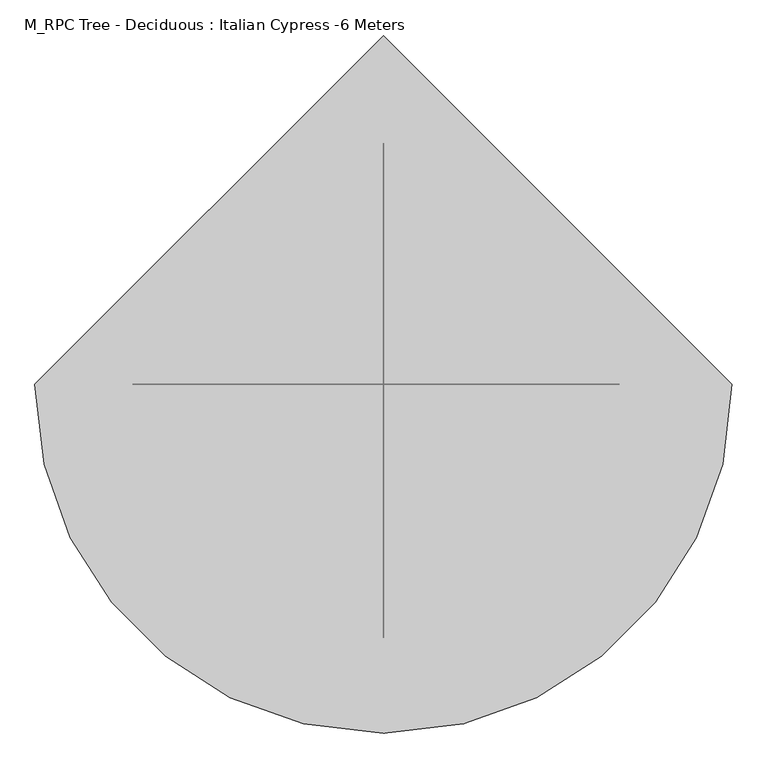
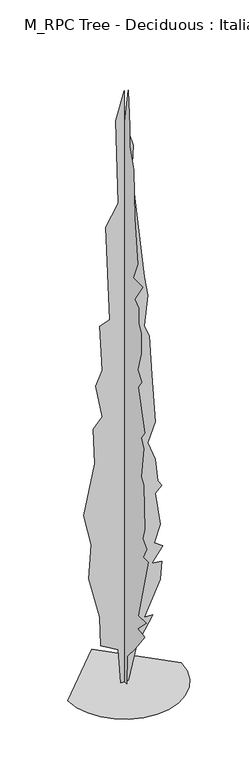
"""IFC4 building model written with IfcOpenShell, lengths in millimetres: geographic element geometry, M_RPC Tree - Deciduous : Italian Cypress -6 Meters."""

import ifcopenshell
import ifcopenshell.guid

model = None  # the IFC model being written
_history = None  # IfcOwnerHistory: only IFC2X3 demands one
_inside = {}  # id of a spatial element -> (the spatial element, [elements in it])
_under = {}  # id of a project, library or spatial element -> (it, [spatial elements below it])
_declared = {}  # id of a project -> (the project, [libraries it declares])
_typed = {}  # id of a type object -> (the type object, [elements of that type])
_made_of = {}  # id of a material, layer set ... -> (it, [elements and type objects made of it])


def new_model(schema):
    """Start an empty IFC model of exactly this schema.

    Asked for "IFC4X3", IfcOpenShell would pick the latest addendum, in which some entities
    have other attributes; the version numbers below select the first issue.
    IFC2X3 requires an IfcOwnerHistory on every rooted entity: one is made here for all.
    """
    global model, _history
    if schema == "IFC4X3":
        model = ifcopenshell.file(schema_version=(4, 3, 0, 0))
    else:
        model = ifcopenshell.file(schema=schema)
    _inside.clear()
    _under.clear()
    _declared.clear()
    _typed.clear()
    _made_of.clear()
    _history = None
    if model.schema == "IFC2X3":
        org = make("IfcOrganization", Name="unknown")
        user = make(
            "IfcPersonAndOrganization",
            ThePerson=make("IfcPerson", FamilyName="unknown"),
            TheOrganization=org,
        )
        app = make(
            "IfcApplication",
            ApplicationDeveloper=org,
            Version="unknown",
            ApplicationFullName="unknown",
            ApplicationIdentifier="unknown",
        )
        _history = make(
            "IfcOwnerHistory",
            OwningUser=user,
            OwningApplication=app,
            ChangeAction="ADDED",
            CreationDate=0,
        )
    return model


def make(cls, **values):
    """One entity of the class cls with the attributes given. An attribute that is None is left unset."""
    return model.create_entity(
        cls, **{name: value for name, value in values.items() if value is not None}
    )


def rooted(cls, **values):
    """An entity with a GlobalId (a new one), such as an element, a storey or a relation."""
    return make(cls, GlobalId=ifcopenshell.guid.new(), OwnerHistory=_history, **values)


def si_unit(unit_type, name, prefix=None):
    """IfcSIUnit, for example si_unit("LENGTHUNIT", "METRE", prefix="MILLI")."""
    return make("IfcSIUnit", UnitType=unit_type, Prefix=prefix, Name=name)


def assignment(units):
    """IfcUnitAssignment: the units of a project."""
    return None if units is None else make("IfcUnitAssignment", Units=units)


def point(xyz):
    """IfcCartesianPoint."""
    return None if xyz is None else make("IfcCartesianPoint", Coordinates=xyz)


def direction(xyz):
    """IfcDirection."""
    return None if xyz is None else make("IfcDirection", DirectionRatios=xyz)


def frame(location, z_axis=None, x_axis=None):
    """IfcAxis2Placement3D, a coordinate frame: its origin and axes. An axis left out is left unset."""
    return make(
        "IfcAxis2Placement3D",
        Location=point(location),
        Axis=direction(z_axis),
        RefDirection=direction(x_axis),
    )


def origin():
    """The frame at (0, 0, 0) with its axes left unset."""
    return frame((0.0, 0.0, 0.0))


def place(relative_to, where):
    """IfcLocalPlacement: puts the frame where relative to a parent placement (None: the world)."""
    return make(
        "IfcLocalPlacement", PlacementRelTo=relative_to, RelativePlacement=where
    )


def context(
    kind, dimensions, precision=None, world=None, true_north=None, identifier=None
):
    """IfcGeometricRepresentationContext, for example the 3D "Model" context."""
    return make(
        "IfcGeometricRepresentationContext",
        ContextIdentifier=identifier,
        ContextType=kind,
        CoordinateSpaceDimension=dimensions,
        Precision=precision,
        WorldCoordinateSystem=world,
        TrueNorth=true_north,
    )


def project(units=None, contexts=None):
    """IfcProject with its units and contexts."""
    return rooted(
        "IfcProject",
        Name="project",
        RepresentationContexts=contexts,
        UnitsInContext=assignment(units),
    )


def spatial(cls, under=None, at=None, **own):
    """A site, building, storey or space (cls), placed at a placement, below another one or the project."""
    s = rooted(cls, ObjectPlacement=at, **own)
    if under is not None:
        _under.setdefault(under.id(), (under, []))[1].append(s)
    return s


def point_list(points):
    """IfcCartesianPointList2D or 3D."""
    cls = (
        "IfcCartesianPointList2D" if len(points[0]) == 2 else "IfcCartesianPointList3D"
    )
    return make(cls, CoordList=points)


def triangles(points, corners, closed=None, point_numbers=None):
    """IfcTriangulatedFaceSet: each triangle names its three corners, points numbered from 1."""
    return make(
        "IfcTriangulatedFaceSet",
        Coordinates=point_list(points),
        Closed=closed,
        CoordIndex=corners,
        PnIndex=point_numbers,
    )


def shape(context_of_items, identifier, shape_type, items):
    """IfcShapeRepresentation: the items that make up one representation, for example the "Body"."""
    return make(
        "IfcShapeRepresentation",
        ContextOfItems=context_of_items,
        RepresentationIdentifier=identifier,
        RepresentationType=shape_type,
        Items=items,
    )


def source(mapping_origin, context_of_items, identifier, shape_type, items):
    """IfcRepresentationMap: a shape defined once, which mapped items show again and again."""
    return make(
        "IfcRepresentationMap",
        MappingOrigin=mapping_origin,
        MappedRepresentation=shape(context_of_items, identifier, shape_type, items),
    )


def transform(
    local_origin,
    x_axis=None,
    y_axis=None,
    z_axis=None,
    scale=None,
    scale2=None,
    scale3=None,
    uniform=True,
):
    """IfcCartesianTransformationOperator3D, or its non-uniform kind. x_axis, y_axis, z_axis: its Axis1, 2, 3."""
    if uniform:
        return make(
            "IfcCartesianTransformationOperator3D",
            Axis1=direction(x_axis),
            Axis2=direction(y_axis),
            LocalOrigin=point(local_origin),
            Scale=scale,
            Axis3=direction(z_axis),
        )
    return make(
        "IfcCartesianTransformationOperator3DnonUniform",
        Axis1=direction(x_axis),
        Axis2=direction(y_axis),
        LocalOrigin=point(local_origin),
        Scale=scale,
        Axis3=direction(z_axis),
        Scale2=scale2,
        Scale3=scale3,
    )


def mapped(mapping_source, mapping_target):
    """IfcMappedItem: shows the shape of a source again, moved by a transform."""
    return make(
        "IfcMappedItem", MappingSource=mapping_source, MappingTarget=mapping_target
    )


def made_of(thing, what):
    """Note that an element or type object is made of a material, layer set ...; save() writes the relation."""
    if what is not None:
        _made_of.setdefault(what.id(), (what, []))[1].append(thing)
    return thing


def element(
    cls,
    number,
    at=None,
    inside=None,
    cuts=None,
    type_object=None,
    material=None,
    context=None,
    identifier="Body",
    shape_type=None,
    held_by="IfcProductDefinitionShape",
    body=None,
    shapes=None,
    **own,
):
    """One element of the class cls, such as IfcWall. Its Tag is "e" and its number.

    at: its placement. inside: the storey or other place that contains it. cuts: it is an
    opening in that element (IfcRelVoidsElement). A single representation is given by context,
    identifier, shape_type and body (its items); several are given by shapes. held_by: the class
    of the entity that holds the representations. save() writes the other relations.
    """
    e = rooted(cls, Tag="e%d" % number, ObjectPlacement=at, **own)
    if body is not None:
        shapes = [shape(context, identifier, shape_type, body)]
    if shapes is not None:
        e.Representation = make(held_by, Representations=shapes)
    if inside is not None:
        _inside.setdefault(inside.id(), (inside, []))[1].append(e)
    if cuts is not None:
        rooted(
            "IfcRelVoidsElement", RelatingBuildingElement=cuts, RelatedOpeningElement=e
        )
    if type_object is not None:
        _typed.setdefault(type_object.id(), (type_object, []))[1].append(e)
    return made_of(e, material)


def aggregate(whole, parts):
    """IfcRelAggregates: a whole, such as a stair, and the parts it consists of."""
    return rooted("IfcRelAggregates", RelatingObject=whole, RelatedObjects=parts)


def save(model, path):
    """Write the relations noted so far, then the file.

    IfcRelAggregates (storeys below a building ...), IfcRelContainedInSpatialStructure (elements
    in a storey), IfcRelDefinesByType, IfcRelAssociatesMaterial and IfcRelDeclares: one each for
    every whole, place, type object, material and project.
    """
    for whole, parts in _under.values():
        aggregate(whole, parts)
    for where, things in _inside.values():
        rooted(
            "IfcRelContainedInSpatialStructure",
            RelatedElements=things,
            RelatingStructure=where,
        )
    for kind, things in _typed.values():
        rooted("IfcRelDefinesByType", RelatedObjects=things, RelatingType=kind)
    for what, things in _made_of.values():
        rooted("IfcRelAssociatesMaterial", RelatedObjects=things, RelatingMaterial=what)
    for by, libraries in _declared.values():
        rooted("IfcRelDeclares", RelatingContext=by, RelatedDefinitions=libraries)
    model.write(path)


def m_rpc_tree_deciduous_italian_cypress_6_meters_9e8adb3b(model_context):
    return source(origin(), model_context, "Body", "Tessellation", [
        triangles([(-34.9452007, 1.5e-06, 0.1410606), (-58.5555011, -1.8e-05, 345.3510132), (-223.8269992, -1.64e-05, 439.794013), (-235.6320017, -3.35e-05, 734.9220016), (-341.8769883, -5.42e-05, 1159.9050001), (-318.2669832, -7.49e-05, 1490.4479782), (-389.0969985, -9.08e-05, 1809.1859356), (-282.8523026, -0.0001243, 2293.1940376), (-294.6575958, -0.0001449, 2647.3500366), (-212.021706, -0.0001542, 2741.7899117), (-271.0473001, -0.0001713, 3072.3299103), (-212.021706, -0.0001823, 3213.9898682), (-235.6320017, -0.000208, 3662.5799286), (-141.1911002, -0.0002142, 3698.0100334), (-176.6064076, -0.000269, 4642.4099464), (-58.5552013, -0.0002861, 4843.1099052), (-82.1654971, -0.000335, 5681.2497345), (0.470319, -0.0003548, 5952.7802536), (0.470307, -0.0003379, 5669.4597565), (83.1060011, -0.000324, 5374.3202133), (71.3009985, -0.0003073, 5102.8199249), (189.3519051, -0.0002477, 4016.730114), (224.7672034, -0.0002373, 3816.0600952), (189.3519051, -0.0002181, 3520.9199707), (236.572206, -0.0002132, 3402.8699089), (260.1825017, -0.0001903, 3001.4999313), (295.5978001, -0.000163, 2517.4919746), (224.7672034, -0.0001486, 2328.6119339), (295.5978001, -0.0001405, 2139.7289864), (319.2090042, -0.0001281, 1915.4310493), (354.6239937, -0.0001262, 1856.4060184), (295.5978001, -0.0001201, 1797.3809875), (342.8190093, -0.0001024, 1466.8379368), (283.7927975, -9e-05, 1301.5650307), (366.4290144, -9.01e-05, 1242.5399998), (260.1825017, -7.7e-05, 1100.8799692), (354.6239937, -8.04e-05, 1089.0750212), (342.8190093, -6.93e-05, 911.9970217), (189.3519051, -4.29e-05, 581.4540072), (271.9875043, -4.65e-05, 581.4540072), (118.5209996, -2.51e-05, 333.5459925), (35.8854004, -1.6e-06, 0.0707832), (3.2e-06, 31.7889004, 4.26e-05), (1.15e-05, 19.9836889, 286.3266), (1.67e-05, 114.4245018, 309.9359874), (3.11e-05, 244.2806926, 593.2589916), (5.01e-05, 374.1359931, 982.8270006), (4.96e-05, 279.6960091, 1065.4649797), (5.73e-05, 291.5009934, 1313.3699787), (6.85e-05, 326.9159829, 1702.9409672), (7.47e-05, 315.1109985, 1856.4060184), (7.36e-05, 256.0856951, 1974.4559349), (8.44e-05, 326.9159829, 2234.1690067), (9.21e-05, 232.4753994, 2588.3219536), (9.36e-05, 208.8653943, 2729.9851089), (0.0001039, 267.8906977, 2907.0600563), (0.0001058, 197.060101, 3190.3799721), (0.0001131, 208.8651036, 3343.8601387), (0.0001145, 161.6448027, 3509.1299927), (0.0001258, 185.2550985, 3827.8500732), (0.0001253, 102.6191995, 3981.3299492), (0.0001371, 149.8398002, 4205.609864), (0.0001427, 90.814197, 4559.7899895), (0.0001524, 43.5936009, 4913.9401749), (0.0001632, 79.0089038, 5209.0500687), (0.0001642, 31.7886006, 5362.5302353), (0.0001713, -3.6267601, 5645.8501511), (0.0001806, -62.6522986, 6000.0000458), (0.0001677, -86.2626034, 5645.8501511), (0.0001626, -86.2626034, 5445.1501923), (0.0001549, -157.093191, 5256.2698608), (0.0001369, -168.8981936, 4772.2799263), (0.0001231, -216.1184944, 4335.4801346), (0.0001222, -145.2878978, 4158.3900719), (0.0001155, -298.7544024, 4158.3900719), (0.0001124, -168.8981936, 3957.7200531), (0.0001109, -239.7288084, 3910.4999702), (0.0001042, -239.7288084, 3757.0200943), (9.9e-05, -275.1441067, 3674.4001373), (9.39e-05, -275.1441067, 3473.6998878), (9.14e-05, -216.1184944, 3273.0298691), (8.47e-05, -286.9490911, 3190.3799721), (8.73e-05, -227.9238058, 3107.7600151), (6.88e-05, -334.1700096, 2706.3749222), (6.78e-05, -275.1441067, 2623.7401405), (6.58e-05, -322.3649889, 2541.1018707), (5.81e-05, -275.1441067, 2234.1690067), (5.34e-05, -322.3649889, 2175.1439758), (4.12e-05, -334.1700096, 1738.3559566), (3.76e-05, -298.7540936, 1620.3029881), (3.19e-05, -369.5849991, 1561.2779572), (3.3e-05, -310.5600045, 1443.2280407), (2.94e-05, -393.1950042, 1443.2280407), (1.61e-05, -227.923497, 805.7519806), (1.04e-05, -357.7800147, 805.7519806), (1.41e-05, -216.1184944, 664.0889706), (8.4e-06, -334.1700096, 652.2840225), (9.5e-06, -180.7031961, 439.794013), (8.4e-06, -50.8470008, 286.3266), (1e-07, -39.0416985, 3.84e-05), (-540.7320016, 0.0, 6.44e-05), (-526.4370166, -123.9003043, 5.63e-05), (-485.7270015, -237.6830938, 4.78e-05), (-421.8540107, -338.0880117, 3.9e-05), (-338.0880117, -421.8569901, 3.04e-05), (-237.6828032, -485.7239857, 2.22e-05), (-123.9003043, -526.4370166, 1.48e-05), (2.59e-05, -540.7350174, 8.5e-06), (123.9003043, -526.4370166, 3.9e-06), (237.6830938, -485.7270015, 1.4e-06), (338.0880117, -421.8540107, 8e-07), (421.8569901, -338.0880117, 2.1e-06), (485.7239857, -237.6828032, 5.3e-06), (526.4370166, -123.9003043, 1.03e-05), (540.7320016, 4.73e-05, 1.71e-05), (-7e-05, 540.7350174, 7.3e-05)], [[17, 18, 19], [39, 40, 41], [16, 17, 19], [16, 19, 20], [16, 20, 21], [16, 21, 22], [15, 16, 22], [14, 15, 22], [14, 22, 23], [14, 23, 24], [34, 35, 36], [36, 37, 38], [42, 1, 2], [41, 42, 2], [39, 41, 2], [30, 31, 32], [39, 2, 3], [39, 3, 4], [38, 39, 4], [36, 38, 4], [36, 4, 5], [34, 36, 5], [34, 5, 6], [33, 34, 6], [32, 33, 6], [32, 6, 7], [32, 7, 8], [30, 32, 8], [29, 30, 8], [28, 29, 8], [28, 8, 9], [27, 28, 9], [27, 9, 10], [26, 27, 10], [26, 10, 11], [26, 11, 12], [25, 26, 12], [25, 12, 13], [24, 25, 13], [14, 24, 13], [67, 68, 69], [94, 95, 96], [74, 75, 76], [96, 97, 98], [92, 93, 94], [100, 43, 44], [99, 100, 44], [67, 69, 70], [66, 67, 70], [66, 70, 71], [65, 66, 71], [65, 71, 72], [64, 65, 72], [63, 64, 72], [63, 72, 73], [62, 63, 73], [62, 73, 74], [61, 62, 74], [61, 74, 76], [90, 91, 92], [81, 82, 83], [46, 47, 48], [60, 61, 76], [59, 60, 76], [59, 76, 77], [59, 77, 78], [59, 78, 79], [59, 79, 80], [59, 80, 81], [58, 59, 81], [57, 58, 81], [57, 81, 83], [56, 57, 83], [56, 83, 84], [55, 56, 84], [55, 84, 85], [54, 55, 85], [53, 54, 85], [53, 85, 86], [53, 86, 87], [52, 53, 87], [52, 87, 88], [52, 88, 89], [51, 52, 89], [51, 89, 90], [50, 51, 90], [49, 50, 90], [49, 90, 92], [49, 92, 94], [48, 49, 94], [46, 48, 94], [46, 94, 96], [46, 96, 98], [45, 46, 98], [45, 98, 99], [44, 45, 99], [115, 116, 101], [114, 115, 101], [114, 101, 102], [113, 114, 102], [113, 102, 103], [113, 103, 104], [112, 113, 104], [111, 112, 104], [111, 104, 105], [111, 105, 106], [111, 106, 107], [111, 107, 108], [111, 108, 109], [111, 109, 110]], closed=False),
    ])


if __name__ == "__main__":
    model = new_model("IFC4")
    model_context = context("Model", 3, world=origin())
    ifc_project = project(units=[si_unit("LENGTHUNIT", "METRE", prefix="MILLI")], contexts=[model_context])
    site = spatial("IfcSite", under=ifc_project)
    building = spatial("IfcBuilding", under=site)
    placement = place(None, origin())
    m_rpc_tree_deciduous_italian_cypress_6_meters_shape = m_rpc_tree_deciduous_italian_cypress_6_meters_9e8adb3b(model_context)
    element("IfcGeographicElement", 1, ObjectType="M_RPC Tree - Deciduous : Italian Cypress -6 Meters", at=placement, inside=building, context=model_context, shape_type="MappedRepresentation", body=[
        mapped(m_rpc_tree_deciduous_italian_cypress_6_meters_shape, transform((0.0, 0.0, 0.0), x_axis=(1.0, 0.0, 0.0), y_axis=(0.0, 1.0, 0.0), z_axis=(0.0, 0.0, 1.0))),
    ])
    save(model, "model.ifc")
